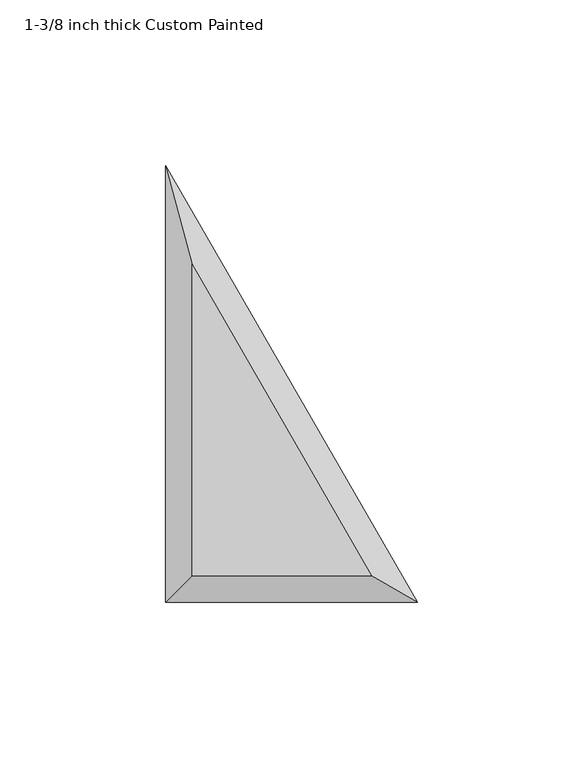
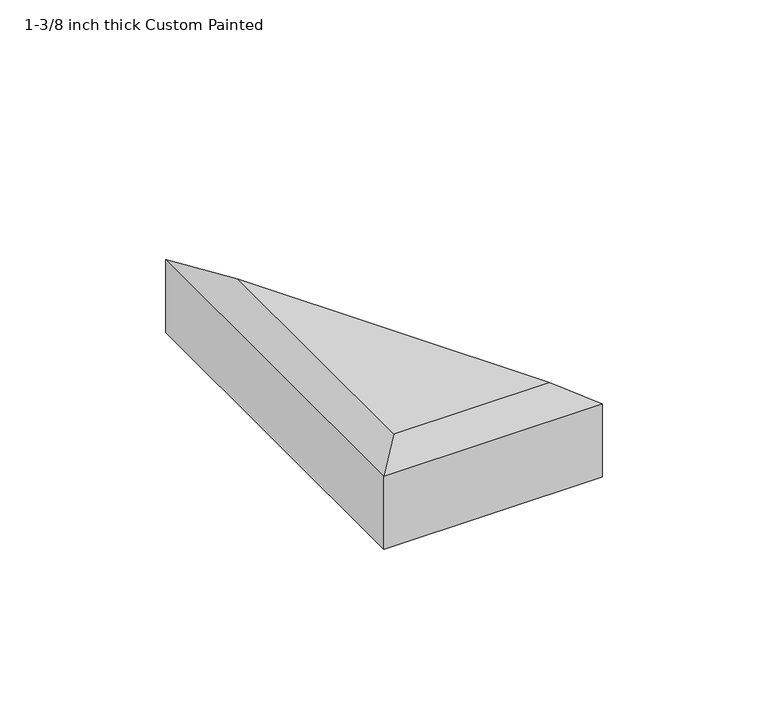
"""IFC4 building model written with IfcOpenShell, lengths in millimetres: proxy geometry, 1-3/8 inch thick Custom Painted."""

from ifc_helpers import new_model, si_unit, origin, place, context, project, spatial, faceted_brep, source, transform, mapped, element, save


def proxy_1_3_8_inch_thick_custom_painted_8081c15f(model_context):
    return source(origin(), model_context, "Body", "Brep", [
        faceted_brep([(8.001, 102.122133, 34.925), (8.001, 8.001, 34.925), (62.3418615, 8.001, 34.925), (76.2, 0.0, 0.0), (0.0, 0.0, 0.0), (0.0, 131.9822715, 0.0), (76.2, 0.0, 26.924), (0.0, 0.0, 26.924), (0.0, 131.9822715, 26.924)], [[[0, 1, 2]], [[3, 4, 5]], [[4, 3, 6, 7]], [[3, 5, 8, 6]], [[5, 4, 7, 8]], [[7, 1, 0, 8]], [[1, 7, 6, 2]], [[8, 0, 2, 6]]]),
    ])


if __name__ == "__main__":
    model = new_model("IFC4")
    model_context = context("Model", 3, world=origin())
    ifc_project = project(units=[si_unit("LENGTHUNIT", "METRE", prefix="MILLI")], contexts=[model_context])
    site = spatial("IfcSite", under=ifc_project)
    building = spatial("IfcBuilding", under=site)
    placement = place(None, origin())
    proxy_1_3_8_inch_thick_custom_painted_shape = proxy_1_3_8_inch_thick_custom_painted_8081c15f(model_context)
    element("IfcBuildingElementProxy", 1, Name="1-3/8 inch thick Custom Painted", ObjectType="1-3/8 inch thick Custom Painted", at=placement, inside=building, context=model_context, shape_type="MappedRepresentation", body=[
        mapped(proxy_1_3_8_inch_thick_custom_painted_shape, transform((0.0, 0.0, 0.0), x_axis=(1.0, 0.0, 0.0), y_axis=(0.0, 1.0, 0.0), z_axis=(0.0, 0.0, 1.0))),
    ])
    save(model, "model.ifc")
